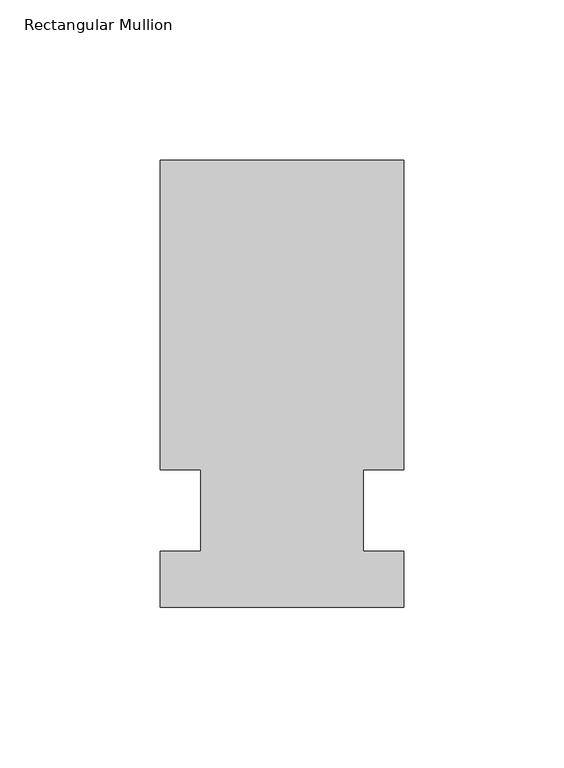
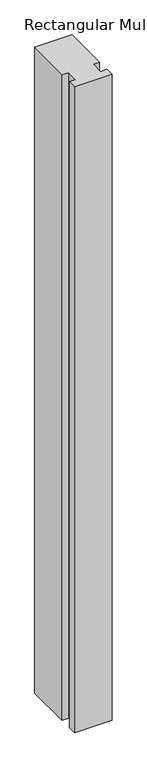
"""IFC4 building model written with IfcOpenShell, lengths in millimetres: member geometry, Rectangular Mullion."""

from ifc_helpers import new_model, si_unit, frame, origin, place, context, project, spatial, polyline, outline, extrude, source, transform, mapped, element, save


def rectangular_mullion_013d9ac5(model_context):
    return source(origin(), model_context, "Body", "SweptSolid", [
        extrude(outline(polyline([(42.4344027, 109.5375), (42.4344027, 12.7), (29.7326322, 12.7), (29.7326322, -12.7), (42.4344027, -12.7), (42.4344027, -30.1625), (-33.7655973, -30.1625), (-33.7655973, -12.7), (-21.0655973, -12.7), (-21.0655973, 12.7), (-33.7655973, 12.7), (-33.7655973, 109.5375), (42.4344027, 109.5375)])), frame((0.0, 0.0, -1387.5760693), z_axis=(0.0, 0.0, 1.0), x_axis=(1.0, 0.0, 0.0)), (0.0, 0.0, 1.0), 1387.5760693),
    ])


if __name__ == "__main__":
    model = new_model("IFC4")
    model_context = context("Model", 3, world=origin())
    ifc_project = project(units=[si_unit("LENGTHUNIT", "METRE", prefix="MILLI")], contexts=[model_context])
    site = spatial("IfcSite", under=ifc_project)
    building = spatial("IfcBuilding", under=site)
    placement = place(None, origin())
    rectangular_mullion_shape = rectangular_mullion_013d9ac5(model_context)
    element("IfcMember", 1, ObjectType="Rectangular Mullion", at=placement, inside=building, context=model_context, shape_type="MappedRepresentation", body=[
        mapped(rectangular_mullion_shape, transform((0.0, 0.0, 0.0), x_axis=(1.0, 0.0, 0.0), y_axis=(0.0, 1.0, 0.0), z_axis=(0.0, 0.0, 1.0))),
    ])
    save(model, "model.ifc")
